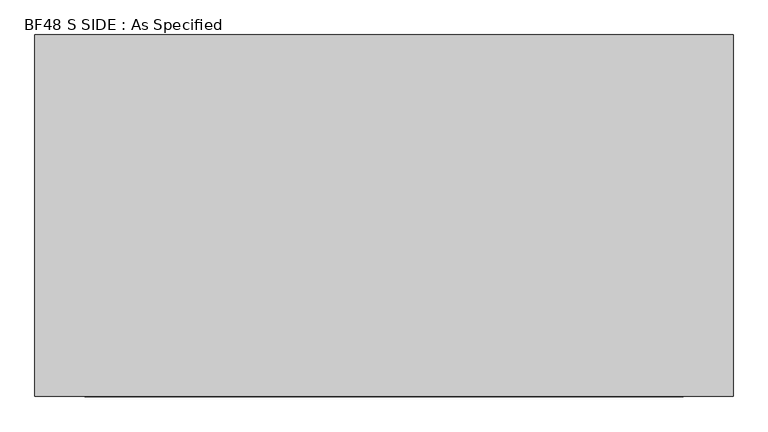
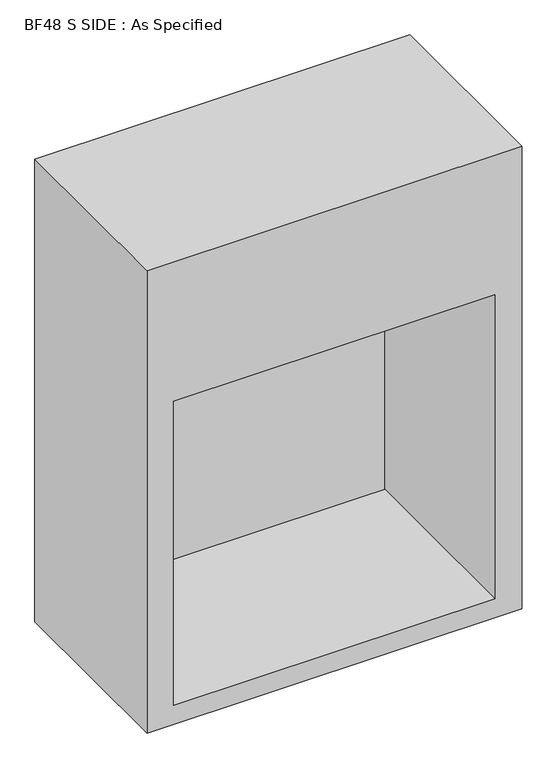
"""IFC4 building model written with IfcOpenShell, lengths in millimetres: proxy geometry, BF48 S SIDE : As Specified."""

from ifc_helpers import new_model, si_unit, origin, place, context, project, spatial, faceted_brep, source, transform, mapped, element, save


def bf48_s_side_as_specified_ad2a9189(model_context):
    return source(origin(), model_context, "Body", "Brep", [
        faceted_brep([(711.2, 368.3, 1854.2), (-711.2, 368.3, 1854.2), (-711.2, -368.3, 1854.2), (711.2, -368.3, 1854.2), (711.2, 368.3, 0.0), (711.2, -368.3, 0.0), (-711.2, -368.3, 0.0), (-711.2, 368.3, 0.0), (-609.6, -368.3, 1295.4), (609.6, -368.3, 1295.4), (609.6, -368.3, 76.2), (-609.6, -368.3, 76.2), (609.6, 355.6, 1295.4), (-609.6, 355.6, 1295.4), (-609.6, 355.6, 76.2), (609.6, 355.6, 76.2)], [[[0, 1, 2, 3]], [[4, 5, 6, 7]], [[1, 0, 4, 7]], [[2, 1, 7, 6]], [[3, 2, 6, 5], [8, 9, 10, 11]], [[0, 3, 5, 4]], [[12, 13, 14, 15]], [[13, 12, 9, 8]], [[14, 13, 8, 11]], [[15, 14, 11, 10]], [[12, 15, 10, 9]]]),
    ])


if __name__ == "__main__":
    model = new_model("IFC4")
    model_context = context("Model", 3, world=origin())
    ifc_project = project(units=[si_unit("LENGTHUNIT", "METRE", prefix="MILLI")], contexts=[model_context])
    site = spatial("IfcSite", under=ifc_project)
    building = spatial("IfcBuilding", under=site)
    placement = place(None, origin())
    bf48_s_side_as_specified_shape = bf48_s_side_as_specified_ad2a9189(model_context)
    element("IfcBuildingElementProxy", 1, Name="BF48 S SIDE : As Specified", ObjectType="BF48 S SIDE : As Specified", at=placement, inside=building, context=model_context, shape_type="MappedRepresentation", body=[
        mapped(bf48_s_side_as_specified_shape, transform((0.0, 0.0, 0.0), x_axis=(1.0, 0.0, 0.0), y_axis=(0.0, 1.0, 0.0), z_axis=(0.0, 0.0, 1.0))),
    ])
    save(model, "model.ifc")
